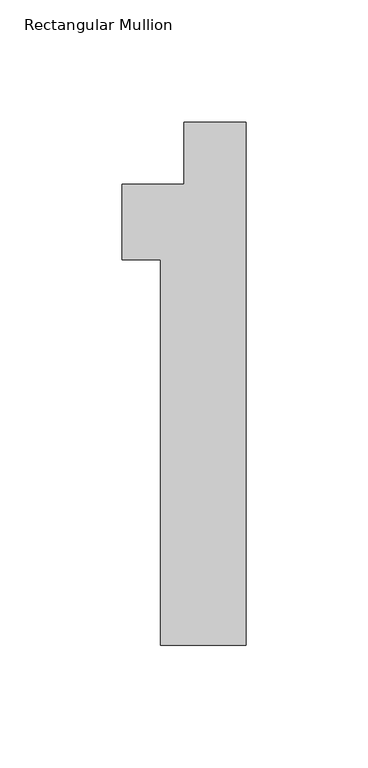
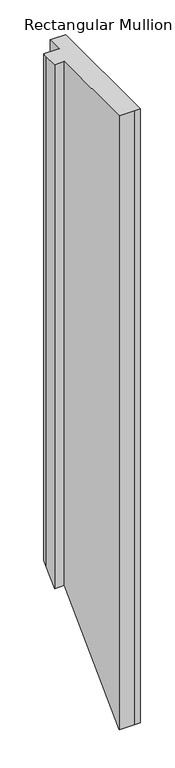
"""IFC4 building model written with IfcOpenShell, lengths in millimetres: member geometry, Rectangular Mullion."""

from ifc_helpers import new_model, si_unit, origin, place, context, project, spatial, faceted_brep, source, transform, mapped, element, save


def rectangular_mullion_d5464bef(model_context):
    return source(origin(), model_context, "Body", "Brep", [
        faceted_brep([(-9.525, 0.0, 0.0), (-12.7, 0.0, 0.0), (-25.4000001, 0.0, 0.0), (-25.4000001, -25.4, 0.0), (-50.8, -25.4, 0.0), (-50.8, -31.75, 0.0), (-50.8, -56.388, 0.0), (-34.925, -56.388, 0.0), (-34.925, -214.376, 0.0), (-9.525, -214.376, 0.0), (0.0, -214.376, 0.0), (0.0, 0.0, 0.0), (-9.525, 0.0, -863.6), (-12.7, 0.0, -863.6), (-25.4000001, 0.0, -863.6), (-25.4000001, -25.4, -889.0), (-50.8, -25.4, -889.0), (-50.8, -31.75, -895.35), (-50.8, -56.388, -919.988), (-34.925, -56.388, -919.988), (-34.925, -214.376, -1077.976), (-9.525, -214.376, -1077.976), (0.0, -214.376, -1077.976), (0.0, 0.0, -863.6)], [[[0, 1, 2, 3, 4, 5, 6, 7, 8, 9, 10, 11]], [[1, 0, 12, 13]], [[2, 1, 13, 14]], [[3, 2, 14, 15]], [[4, 3, 15, 16]], [[5, 4, 16, 17]], [[6, 5, 17, 18]], [[7, 6, 18, 19]], [[8, 7, 19, 20]], [[9, 8, 20, 21]], [[10, 9, 21, 22]], [[11, 10, 22, 23]], [[0, 11, 23, 12]], [[12, 23, 22, 21, 20, 19, 18, 17, 16, 15, 14, 13]]]),
    ])


if __name__ == "__main__":
    model = new_model("IFC4")
    model_context = context("Model", 3, world=origin())
    ifc_project = project(units=[si_unit("LENGTHUNIT", "METRE", prefix="MILLI")], contexts=[model_context])
    site = spatial("IfcSite", under=ifc_project)
    building = spatial("IfcBuilding", under=site)
    placement = place(None, origin())
    rectangular_mullion_shape = rectangular_mullion_d5464bef(model_context)
    element("IfcMember", 1, ObjectType="Rectangular Mullion", at=placement, inside=building, context=model_context, shape_type="MappedRepresentation", body=[
        mapped(rectangular_mullion_shape, transform((0.0, 0.0, 0.0), x_axis=(1.0, 0.0, 0.0), y_axis=(0.0, 1.0, 0.0), z_axis=(0.0, 0.0, 1.0))),
    ])
    save(model, "model.ifc")
